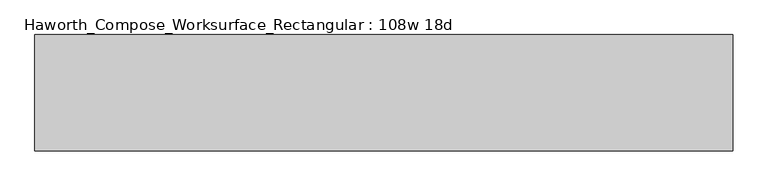
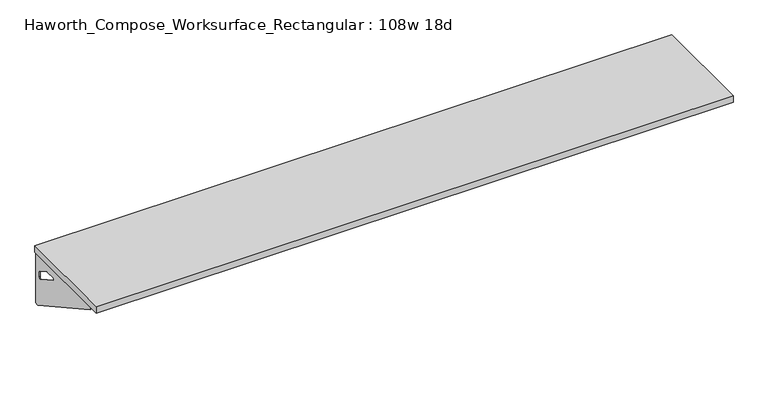
"""IFC4 building model written with IfcOpenShell, lengths in millimetres: furniture geometry, Haworth_Compose_Worksurface_Rectangular : 108w 18d."""

from ifc_helpers import new_model, si_unit, frame, origin, place, context, project, spatial, polyline, circle_curve, outline, extrude, source, transform, mapped, element, save
from ifc_brep_helpers import plane_surface, revolved_surface, advanced_brep


def haworth_compose_worksurface_rectangular_108w_18d_5c7fab5c(model_context):
    return source(origin(), model_context, "Body", "SolidModel", [
        advanced_brep(
        [(1366.04375, 228.6, 475.45625), (1366.04375, 212.725, 475.45625), (1366.04375, -177.8, 691.7192568), (1366.04375, -177.8, 704.05625), (1366.04375, 212.725, 704.05625), (1366.04375, 228.6, 704.05625), (1366.04375, 145.290072, 665.95625), (1366.04375, 101.6355284, 665.95625), (1366.04375, 98.9564235, 656.3705539), (1366.04375, 190.6776173, 605.5776439), (1366.04375, 200.025, 611.1756969), (1366.04375, 200.025, 634.6860246), (1366.04375, 198.2730055, 637.5242776), (1366.04375, 148.3663437, 665.1613425), (1368.425, 228.6, 475.45625), (1368.425, 228.6, 704.05625), (1368.425, 212.725, 704.05625), (1368.425, 212.725, 706.4375), (1368.425, -177.8, 706.4375), (1368.425, -177.8, 691.7192568), (1368.425, 212.725, 475.45625), (1368.425, 145.290072, 665.95625), (1368.425, 148.3663437, 665.1613425), (1368.425, 198.2730055, 637.5242776), (1368.425, 200.025, 634.6860246), (1368.425, 200.025, 611.1756969), (1368.425, 190.6776173, 605.5776439), (1368.425, 98.9564235, 656.3705539), (1368.425, 101.6355284, 665.95625), (1327.15, -177.8, 706.4375), (1327.15, -177.8, 704.05625), (1327.15, 212.725, 704.05625), (1327.15, 212.725, 706.4375)],
        [
            (0, 1),
            (1, 2),
            (2, 3),
            (3, 4),
            (4, 5),
            (5, 0),
            (6, 7),
            (7, 8, circle_curve(frame((1366.04375, 101.6355284, 660.7890106), z_axis=(1.0, 0.0, 0.0), x_axis=(0.0, -1.0, 0.0)), 5.1672394)),
            (8, 9),
            (9, 10, circle_curve(frame((1366.04375, 193.675, 611.1756969), z_axis=(1.0, 0.0, 0.0), x_axis=(0.0, -1.0, 0.0)), 6.35)),
            (10, 11),
            (11, 12, circle_curve(frame((1366.04375, 196.85, 634.6860246), z_axis=(1.0, 0.0, 0.0), x_axis=(0.0, -1.0, 0.0)), 3.175)),
            (12, 13),
            (13, 6, circle_curve(frame((1366.04375, 145.290072, 659.60625), z_axis=(1.0, 0.0, 0.0), x_axis=(0.0, -1.0, 0.0)), 6.35)),
            (14, 15),
            (15, 16),
            (16, 17),
            (17, 18),
            (18, 19),
            (19, 20),
            (20, 14),
            (21, 22, circle_curve(frame((1368.425, 145.290072, 659.60625), z_axis=(-1.0, 0.0, 0.0), x_axis=(0.0, -1.0, 0.0)), 6.35)),
            (22, 23),
            (23, 24, circle_curve(frame((1368.425, 196.85, 634.6860246), z_axis=(-1.0, 0.0, 0.0), x_axis=(0.0, -1.0, 0.0)), 3.175)),
            (24, 25),
            (25, 26, circle_curve(frame((1368.425, 193.675, 611.1756969), z_axis=(-1.0, 0.0, 0.0), x_axis=(0.0, -1.0, 0.0)), 6.35)),
            (26, 27),
            (27, 28, circle_curve(frame((1368.425, 101.6355284, 660.7890106), z_axis=(-1.0, 0.0, 0.0), x_axis=(0.0, -1.0, 0.0)), 5.1672394)),
            (28, 21),
            (4, 16),
            (15, 5),
            (14, 0),
            (20, 1),
            (19, 2),
            (18, 29),
            (29, 30),
            (30, 3),
            (6, 21),
            (28, 7),
            (9, 26),
            (25, 10),
            (24, 11),
            (23, 12),
            (27, 8),
            (31, 4),
            (30, 31),
            (32, 29),
            (17, 32),
            (31, 32),
            (22, 13),
        ],
        [
            plane_surface(frame((1366.04375, 228.6, 475.45625), z_axis=(-1.0, 0.0, 0.0), x_axis=(0.0, 1.0, 0.0))),
            plane_surface(frame((1368.425, 228.6, 475.45625), z_axis=(1.0, 0.0, 0.0), x_axis=(0.0, -1.0, 0.0))),
            plane_surface(frame((1368.425, -177.8, 704.05625), z_axis=(0.0, 0.0, 1.0), x_axis=(-1.0, 0.0, 0.0))),
            plane_surface(frame((1368.425, 228.6, 704.05625), z_axis=(0.0, 1.0, 0.0), x_axis=(-1.0, 0.0, 0.0))),
            plane_surface(frame((1368.425, 228.6, 475.45625), z_axis=(0.0, 0.0, -1.0), x_axis=(-1.0, 0.0, 0.0))),
            plane_surface(frame((1368.425, 212.725, 475.45625), z_axis=(0.0, -0.48445223513455843, -0.8748177135112952), x_axis=(-1.0, 0.0, 0.0))),
            plane_surface(frame((1368.425, -177.8, 691.7192568), z_axis=(0.0, -1.0, 0.0), x_axis=(-1.0, 0.0, 0.0))),
            plane_surface(frame((1368.425, 145.290072, 665.95625), z_axis=(0.0, 0.0, -1.0), x_axis=(-1.0, 0.0, 0.0))),
            revolved_surface(polyline([(1366.04375, 187.32500000000002, 611.1756969), (1368.425, 187.32500000000002, 611.1756969)]), (1368.425, 193.675, 611.1756969), (-1.0, 0.0, 0.0)),
            plane_surface(frame((1368.425, 200.025, 611.1756969), z_axis=(0.0, -1.0, 0.0), x_axis=(-1.0, 0.0, 0.0))),
            revolved_surface(polyline([(1366.04375, 193.67499999999998, 634.6860246), (1368.425, 193.67499999999998, 634.6860246)]), (1368.425, 196.85, 634.6860246), (-1.0, 0.0, 0.0)),
            revolved_surface(polyline([(1366.04375, 96.468289, 660.7890106), (1368.425, 96.468289, 660.7890106)]), (1368.425, 101.6355284, 660.7890106), (-1.0, 0.0, 0.0)),
            plane_surface(frame((1368.425, 212.725, 704.05625), z_axis=(0.0, 0.0, -1.0), x_axis=(-1.0, 0.0, 0.0))),
            plane_surface(frame((1368.425, 212.725, 706.4375), z_axis=(0.0, 0.0, 1.0), x_axis=(1.0, 0.0, 0.0))),
            plane_surface(frame((1327.15, 212.725, 706.4375), z_axis=(0.0, 1.0, 0.0), x_axis=(0.0, 0.0, -1.0))),
            plane_surface(frame((1327.15, -177.8, 706.4375), z_axis=(-1.0, 0.0, 0.0), x_axis=(0.0, 0.0, -1.0))),
            plane_surface(frame((1368.425, 98.9564235, 656.3705539), z_axis=(0.0, 0.4844522351345583, 0.8748177135112953), x_axis=(-1.0, 0.0, 0.0))),
            plane_surface(frame((1368.425, 198.2730055, 637.5242776), z_axis=(0.0, -0.4844522351345582, -0.8748177135112953), x_axis=(-1.0, 0.0, 0.0))),
            revolved_surface(polyline([(1366.04375, 138.94007200000001, 659.60625), (1368.425, 138.94007200000001, 659.60625)]), (1368.425, 145.290072, 659.60625), (-1.0, 0.0, 0.0)),
        ],
        [
            (0, [[1, 2, 3, 4, 5, 6], [7, 8, 9, 10, 11, 12, 13, 14]]),
            (1, [[15, 16, 17, 18, 19, 20, 21], [22, 23, 24, 25, 26, 27, 28, 29]]),
            (2, [[-5, 30, -16, 31]]),
            (3, [[-31, -15, 32, -6]]),
            (4, [[-32, -21, 33, -1]]),
            (5, [[-33, -20, 34, -2]]),
            (6, [[-34, -19, 35, 36, 37, -3]]),
            (7, [[38, -29, 39, -7]]),
            (8, [[40, -26, 41, -10]]),
            (9, [[-41, -25, 42, -11]]),
            (10, [[-42, -24, 43, -12]]),
            (11, [[-39, -28, 44, -8]]),
            (12, [[45, -4, -37, 46]]),
            (13, [[47, -35, -18, 48]]),
            (14, [[-17, -30, -45, 49, -48]]),
            (15, [[-36, -47, -49, -46]]),
            (16, [[-44, -27, -40, -9]]),
            (17, [[-43, -23, 50, -13]]),
            (18, [[-50, -22, -38, -14]]),
        ],
    ),
        advanced_brep(
        [(-1366.04375, 228.6, 475.45625), (-1366.04375, 228.6, 704.05625), (-1366.04375, 212.725, 704.05625), (-1366.04375, -177.8, 704.05625), (-1366.04375, -177.8, 691.7192568), (-1366.04375, 212.725, 475.45625), (-1366.04375, 145.290072, 665.95625), (-1366.04375, 148.3663437, 665.1613425), (-1366.04375, 198.2730055, 637.5242776), (-1366.04375, 200.025, 634.6860246), (-1366.04375, 200.025, 611.1756969), (-1366.04375, 190.6776173, 605.5776439), (-1366.04375, 98.9564235, 656.3705539), (-1366.04375, 101.6355284, 665.95625), (-1368.425, 228.6, 475.45625), (-1368.425, 212.725, 475.45625), (-1368.425, -177.8, 691.7192568), (-1368.425, -177.8, 706.4375), (-1368.425, 212.725, 706.4375), (-1368.425, 212.725, 704.05625), (-1368.425, 228.6, 704.05625), (-1368.425, 145.290072, 665.95625), (-1368.425, 101.6355284, 665.95625), (-1368.425, 98.9564235, 656.3705539), (-1368.425, 190.6776173, 605.5776439), (-1368.425, 200.025, 611.1756969), (-1368.425, 200.025, 634.6860246), (-1368.425, 198.2730055, 637.5242776), (-1368.425, 148.3663437, 665.1613425), (-1327.15, -177.8, 704.05625), (-1327.15, -177.8, 706.4375), (-1327.15, 212.725, 704.05625), (-1327.15, 212.725, 706.4375)],
        [
            (0, 1),
            (1, 2),
            (2, 3),
            (3, 4),
            (4, 5),
            (5, 0),
            (6, 7, circle_curve(frame((-1366.04375, 145.290072, 659.60625), z_axis=(-1.0, 0.0, 0.0), x_axis=(0.0, -1.0, 0.0)), 6.35)),
            (7, 8),
            (8, 9, circle_curve(frame((-1366.04375, 196.85, 634.6860246), z_axis=(-1.0, 0.0, 0.0), x_axis=(0.0, -1.0, 0.0)), 3.175)),
            (9, 10),
            (10, 11, circle_curve(frame((-1366.04375, 193.675, 611.1756969), z_axis=(-1.0, 0.0, 0.0), x_axis=(0.0, -1.0, 0.0)), 6.35)),
            (11, 12),
            (12, 13, circle_curve(frame((-1366.04375, 101.6355284, 660.7890106), z_axis=(-1.0, 0.0, 0.0), x_axis=(0.0, -1.0, 0.0)), 5.1672394)),
            (13, 6),
            (14, 15),
            (15, 16),
            (16, 17),
            (17, 18),
            (18, 19),
            (19, 20),
            (20, 14),
            (21, 22),
            (22, 23, circle_curve(frame((-1368.425, 101.6355284, 660.7890106), z_axis=(1.0, 0.0, 0.0), x_axis=(0.0, -1.0, 0.0)), 5.1672394)),
            (23, 24),
            (24, 25, circle_curve(frame((-1368.425, 193.675, 611.1756969), z_axis=(1.0, 0.0, 0.0), x_axis=(0.0, -1.0, 0.0)), 6.35)),
            (25, 26),
            (26, 27, circle_curve(frame((-1368.425, 196.85, 634.6860246), z_axis=(1.0, 0.0, 0.0), x_axis=(0.0, -1.0, 0.0)), 3.175)),
            (27, 28),
            (28, 21, circle_curve(frame((-1368.425, 145.290072, 659.60625), z_axis=(1.0, 0.0, 0.0), x_axis=(0.0, -1.0, 0.0)), 6.35)),
            (1, 20),
            (19, 2),
            (0, 14),
            (5, 15),
            (4, 16),
            (3, 29),
            (29, 30),
            (30, 17),
            (13, 22),
            (21, 6),
            (10, 25),
            (24, 11),
            (9, 26),
            (8, 27),
            (12, 23),
            (31, 29),
            (2, 31),
            (32, 18),
            (30, 32),
            (32, 31),
            (7, 28),
        ],
        [
            plane_surface(frame((-1366.04375, 228.6, 475.45625), z_axis=(1.0, 0.0, 0.0), x_axis=(0.0, 1.0, 0.0))),
            plane_surface(frame((-1368.425, 228.6, 475.45625), z_axis=(-1.0, 0.0, 0.0), x_axis=(0.0, -1.0, 0.0))),
            plane_surface(frame((-1368.425, -177.8, 704.05625), z_axis=(0.0, 0.0, 1.0), x_axis=(1.0, 0.0, 0.0))),
            plane_surface(frame((-1368.425, 228.6, 704.05625), z_axis=(0.0, 1.0, 0.0), x_axis=(1.0, 0.0, 0.0))),
            plane_surface(frame((-1368.425, 228.6, 475.45625), z_axis=(0.0, 0.0, -1.0), x_axis=(1.0, 0.0, 0.0))),
            plane_surface(frame((-1368.425, 212.725, 475.45625), z_axis=(0.0, -0.48445223513455843, -0.8748177135112952), x_axis=(1.0, 0.0, 0.0))),
            plane_surface(frame((-1368.425, -177.8, 691.7192568), z_axis=(0.0, -1.0, 0.0), x_axis=(1.0, 0.0, 0.0))),
            plane_surface(frame((-1368.425, 145.290072, 665.95625), z_axis=(0.0, 0.0, -1.0), x_axis=(1.0, 0.0, 0.0))),
            revolved_surface(polyline([(-1366.04375, 187.32500000000002, 611.1756969), (-1368.425, 187.32500000000002, 611.1756969)]), (-1368.425, 193.675, 611.1756969), (1.0, 0.0, 0.0)),
            plane_surface(frame((-1368.425, 200.025, 611.1756969), z_axis=(0.0, -1.0, 0.0), x_axis=(1.0, 0.0, 0.0))),
            revolved_surface(polyline([(-1366.04375, 193.67499999999998, 634.6860246), (-1368.425, 193.67499999999998, 634.6860246)]), (-1368.425, 196.85, 634.6860246), (1.0, 0.0, 0.0)),
            revolved_surface(polyline([(-1366.04375, 96.468289, 660.7890106), (-1368.425, 96.468289, 660.7890106)]), (-1368.425, 101.6355284, 660.7890106), (1.0, 0.0, 0.0)),
            plane_surface(frame((-1368.425, 212.725, 704.05625), z_axis=(0.0, 0.0, -1.0), x_axis=(1.0, 0.0, 0.0))),
            plane_surface(frame((-1368.425, 212.725, 706.4375), z_axis=(0.0, 0.0, 1.0), x_axis=(-1.0, 0.0, 0.0))),
            plane_surface(frame((-1327.15, 212.725, 706.4375), z_axis=(0.0, 1.0, 0.0), x_axis=(0.0, 0.0, -1.0))),
            plane_surface(frame((-1327.15, -177.8, 706.4375), z_axis=(1.0, 0.0, 0.0), x_axis=(0.0, 0.0, -1.0))),
            plane_surface(frame((-1368.425, 98.9564235, 656.3705539), z_axis=(0.0, 0.4844522351345583, 0.8748177135112953), x_axis=(1.0, 0.0, 0.0))),
            plane_surface(frame((-1368.425, 198.2730055, 637.5242776), z_axis=(0.0, -0.4844522351345582, -0.8748177135112953), x_axis=(1.0, 0.0, 0.0))),
            revolved_surface(polyline([(-1366.04375, 138.94007200000001, 659.60625), (-1368.425, 138.94007200000001, 659.60625)]), (-1368.425, 145.290072, 659.60625), (1.0, 0.0, 0.0)),
        ],
        [
            (0, [[1, 2, 3, 4, 5, 6], [7, 8, 9, 10, 11, 12, 13, 14]]),
            (1, [[15, 16, 17, 18, 19, 20, 21], [22, 23, 24, 25, 26, 27, 28, 29]]),
            (2, [[30, -20, 31, -2]]),
            (3, [[-1, 32, -21, -30]]),
            (4, [[-6, 33, -15, -32]]),
            (5, [[-5, 34, -16, -33]]),
            (6, [[-4, 35, 36, 37, -17, -34]]),
            (7, [[-14, 38, -22, 39]]),
            (8, [[-11, 40, -25, 41]]),
            (9, [[-10, 42, -26, -40]]),
            (10, [[-9, 43, -27, -42]]),
            (11, [[-13, 44, -23, -38]]),
            (12, [[45, -35, -3, 46]]),
            (13, [[47, -18, -37, 48]]),
            (14, [[-47, 49, -46, -31, -19]]),
            (15, [[-45, -49, -48, -36]]),
            (16, [[-12, -41, -24, -44]]),
            (17, [[-8, 50, -28, -43]]),
            (18, [[-7, -39, -29, -50]]),
        ],
    ),
        extrude(outline(polyline([(1371.6, 228.6), (1371.6, -228.6), (-1371.6, -228.6), (-1371.6, 228.6), (1371.6, 228.6)])), frame((0.0, 0.0, 706.4375), z_axis=(0.0, 0.0, 1.0), x_axis=(1.0, 0.0, 0.0)), (0.0, 0.0, 1.0), 30.1625),
    ])


if __name__ == "__main__":
    model = new_model("IFC4")
    model_context = context("Model", 3, world=origin())
    ifc_project = project(units=[si_unit("LENGTHUNIT", "METRE", prefix="MILLI")], contexts=[model_context])
    site = spatial("IfcSite", under=ifc_project)
    building = spatial("IfcBuilding", under=site)
    placement = place(None, origin())
    haworth_compose_worksurface_rectangular_108w_18d_shape = haworth_compose_worksurface_rectangular_108w_18d_5c7fab5c(model_context)
    element("IfcFurniture", 1, ObjectType="Haworth_Compose_Worksurface_Rectangular : 108w 18d", at=placement, inside=building, context=model_context, shape_type="MappedRepresentation", body=[
        mapped(haworth_compose_worksurface_rectangular_108w_18d_shape, transform((0.0, 0.0, 0.0), x_axis=(1.0, 0.0, 0.0), y_axis=(0.0, 1.0, 0.0), z_axis=(0.0, 0.0, 1.0))),
    ])
    save(model, "model.ifc")
